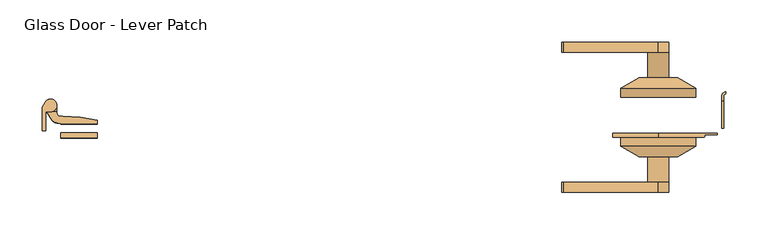
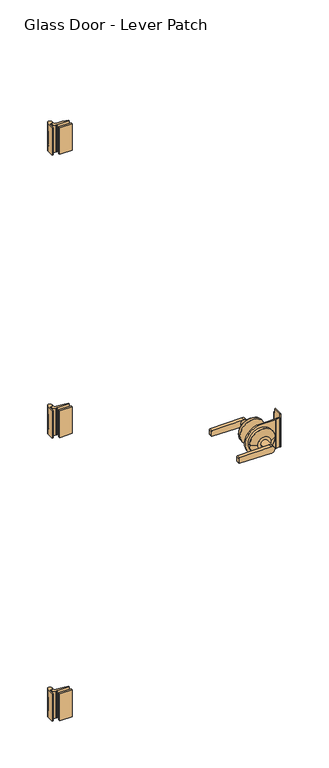
"""IFC4 building model written with IfcOpenShell, lengths in millimetres: door geometry, Glass Door - Lever Patch."""

from ifc_helpers import new_model, si_unit, point, frame, frame_2d, origin, place, context, project, spatial, polyline, circle_curve, trimmed, segment, composite_curve, outline, extrude, source, transform, mapped, element, save
from ifc_brep_helpers import plane_surface, cylinder_surface, revolved_surface, advanced_brep


def glass_door_lever_patch_a990262c(model_context):
    return source(origin(), model_context, "Body", "SolidModel", [
        advanced_brep(
        [(-395.4998365, 1.4977905, 318.61), (-391.4998368, 1.4977905, 318.61), (-391.4998368, 22.9977905, 318.61), (-390.4998367, 23.9977905, 318.61), (-385.4998364, 23.9977905, 318.61), (-392.0417893, 35.1656043, 318.61), (-395.4998365, 28.9977922, 318.61), (-395.4998365, 1.4977905, 218.61), (-395.4998365, 28.9977922, 218.61), (-392.0417893, 35.1656043, 218.61), (-385.4998364, 23.9977911, 218.61), (-390.4998367, 23.9977905, 218.61), (-391.4998367, 22.9977905, 218.61), (-391.4998368, 1.4977905, 218.61), (-395.4998365, 28.9977922, 295.5868434), (-395.4998365, 22.4095534, 295.5868434), (-395.4998365, 22.4095534, 241.61), (-395.4998365, 28.9977922, 241.61), (-392.0417893, 35.1656043, 241.61), (-392.0417893, 35.1656043, 295.5868434), (-385.4998364, 23.9977911, 241.61), (-385.4998364, 23.9977911, 295.5868434), (-390.4998367, 23.9977905, 241.61), (-390.4998367, 23.9977905, 295.5868434), (-391.4998367, 22.9977905, 241.61), (-391.4998367, 22.9977905, 295.5868434), (-391.4998368, 22.4095534, 241.61), (-391.4998368, 22.4095534, 295.5868434)],
        [
            (0, 1),
            (1, 2),
            (2, 3, circle_curve(frame((-390.4998367, 22.9977905, 318.61), z_axis=(0.0, 0.0, -1.0), x_axis=(1.0, 0.0, 0.0)), 1.0)),
            (3, 4),
            (4, 5, circle_curve(frame((-385.4998364, 31.4977911, 318.61), z_axis=(0.0, 0.0, 1.0), x_axis=(1.0, 0.0, 0.0)), 7.5)),
            (5, 6),
            (6, 0),
            (7, 8),
            (8, 9),
            (9, 10, circle_curve(frame((-385.4998364, 31.4977911, 218.61), z_axis=(0.0, 0.0, -1.0), x_axis=(1.0, 0.0, 0.0)), 7.5)),
            (10, 11),
            (11, 12, circle_curve(frame((-390.4998367, 22.9977905, 218.61), z_axis=(0.0, 0.0, 1.0), x_axis=(1.0, 0.0, 0.0)), 1.0)),
            (12, 13),
            (13, 7),
            (6, 14),
            (14, 15),
            (15, 16),
            (16, 17),
            (17, 8),
            (7, 0),
            (17, 18),
            (18, 9),
            (5, 19),
            (19, 14),
            (18, 20, circle_curve(frame((-385.4998364, 31.4977911, 241.61), z_axis=(0.0, 0.0, -1.0), x_axis=(1.0, 0.0, 0.0)), 7.5)),
            (20, 10),
            (4, 21),
            (21, 19, circle_curve(frame((-385.4998364, 31.4977911, 295.5868434), z_axis=(0.0, 0.0, 1.0), x_axis=(1.0, 0.0, 0.0)), 7.5)),
            (20, 22),
            (22, 11),
            (3, 23),
            (23, 21),
            (22, 24, circle_curve(frame((-390.4998367, 22.9977905, 241.61), z_axis=(0.0, 0.0, 1.0), x_axis=(1.0, 0.0, 0.0)), 1.0)),
            (24, 12),
            (2, 25),
            (25, 23, circle_curve(frame((-390.4998367, 22.9977905, 295.5868434), z_axis=(0.0, 0.0, -1.0), x_axis=(1.0, 0.0, 0.0)), 1.0)),
            (1, 13),
            (24, 26),
            (26, 27),
            (27, 25),
            (27, 15),
            (16, 26),
        ],
        [
            plane_surface(frame((-395.4998365, 1.4977905, 318.61), z_axis=(0.0, 0.0, 1.0), x_axis=(0.0, 1.0, 0.0))),
            plane_surface(frame((-395.4998365, 1.4977905, 218.61), z_axis=(0.0, 0.0, -1.0), x_axis=(0.0, -1.0, 0.0))),
            plane_surface(frame((-395.4998365, 1.4977905, 318.61), z_axis=(-1.0, 0.0, 0.0), x_axis=(0.0, 0.0, -1.0))),
            plane_surface(frame((-395.4998365, 28.9977922, 318.61), z_axis=(-0.8722603762585988, 0.489041752828128, 0.0), x_axis=(0.0, 0.0, -1.0))),
            cylinder_surface(frame((-385.4998364, 31.4977911, 218.61), z_axis=(0.0, 0.0, 1.0), x_axis=(1.0, 0.0, 0.0)), 7.5),
            plane_surface(frame((-385.4998364, 23.9977905, 318.61), z_axis=(0.0, -1.0, 0.0), x_axis=(0.0, 0.0, -1.0))),
            revolved_surface(polyline([(-389.4998367, 22.9977905, 218.61), (-389.4998367, 22.9977905, 241.61)]), (-390.4998367, 22.9977905, 218.61), (0.0, 0.0, -1.0)),
            revolved_surface(polyline([(-389.4998367, 22.9977905, 295.5868434), (-389.4998367, 22.9977905, 318.61)]), (-390.4998367, 22.9977905, 218.61), (0.0, 0.0, -1.0)),
            plane_surface(frame((-391.4998368, 22.9977905, 318.61), z_axis=(1.0, 0.0, 0.0), x_axis=(0.0, 0.0, -1.0))),
            plane_surface(frame((-391.4998368, 1.4977905, 318.61), z_axis=(0.0, -1.0, 0.0), x_axis=(0.0, 0.0, -1.0))),
            plane_surface(frame((-404.3666761, 22.4095534, 295.5868434), z_axis=(0.0, 0.0, -1.0), x_axis=(-1.0, 0.0, 0.0))),
            plane_surface(frame((-404.3666761, 22.4095534, 241.61), z_axis=(0.0, 0.0, 1.0), x_axis=(1.0, 0.0, 0.0))),
            plane_surface(frame((-370.4525994, 22.4095534, 295.5868434), z_axis=(0.0, 1.0, 0.0), x_axis=(0.0, 0.0, -1.0))),
        ],
        [
            (0, [[1, 2, 3, 4, 5, 6, 7]]),
            (1, [[8, 9, 10, 11, 12, 13, 14]]),
            (2, [[15, 16, 17, 18, 19, -8, 20, -7]]),
            (3, [[-19, 21, 22, -9]]),
            (3, [[23, 24, -15, -6]]),
            (4, [[-22, 25, 26, -10]]),
            (4, [[27, 28, -23, -5]]),
            (5, [[-26, 29, 30, -11]]),
            (5, [[31, 32, -27, -4]]),
            (6, [[-30, 33, 34, -12]]),
            (7, [[35, 36, -31, -3]]),
            (8, [[37, -13, -34, 38, 39, 40, -35, -2]]),
            (9, [[-20, -14, -37, -1]]),
            (10, [[-16, -24, -28, -32, -36, -40, 41]]),
            (11, [[-38, -33, -29, -25, -21, -18, 42]]),
            (12, [[-39, -42, -17, -41]]),
        ],
    ),
        advanced_brep(
        [(-330.5001742, 9.49779, 318.61), (-330.5001742, 13.6210905, 318.61), (-370.9267308, 18.4978219, 318.61), (-373.9967063, 18.4978231, 318.61), (-377.9998367, 22.4978219, 318.61), (-377.9998364, 23.9977896, 318.61), (-389.8299623, 23.9977896, 318.61), (-384.9224862, 15.4977919, 318.61), (-376.2622322, 10.497792, 318.61), (-374.3442609, 10.497792, 318.61), (-373.5001742, 9.49779, 318.61), (-330.5001742, 9.49779, 218.61), (-373.5001742, 9.49779, 218.61), (-374.3442609, 10.497792, 218.61), (-376.2622322, 10.497792, 218.61), (-384.9224862, 15.4977919, 218.61), (-389.8299623, 23.9977896, 218.61), (-377.9998364, 23.9977896, 218.61), (-377.9998364, 22.4978219, 218.61), (-373.9967063, 18.4978231, 218.61), (-370.9267302, 18.4978231, 218.61), (-330.5001742, 13.6210905, 218.61), (-389.8299623, 23.9977896, 295.5868434), (-391.9950267, 27.7477911, 295.5868434), (-391.9950267, 27.7477911, 241.61), (-389.8299623, 23.9977896, 241.61), (-377.9998364, 31.4977911, 295.5868434), (-377.9998364, 31.4977911, 241.61), (-377.9998364, 23.9977896, 241.61), (-377.9998364, 23.9977896, 295.5868434)],
        [
            (0, 1),
            (1, 2, circle_curve(frame((-370.9267308, -151.5022095, 318.61), z_axis=(0.0, 0.0, 1.0), x_axis=(1.0, 0.0, 0.0)), 170.0000314)),
            (2, 3),
            (3, 4, circle_curve(frame((-373.9998367, 22.4978219, 318.61), z_axis=(0.0, 0.0, -1.0), x_axis=(1.0, 0.0, 0.0)), 4.0)),
            (4, 5),
            (5, 6),
            (6, 7),
            (7, 8, circle_curve(frame((-376.2622322, 20.497792, 318.61), z_axis=(0.0, 0.0, 1.0), x_axis=(1.0, 0.0, 0.0)), 10.0)),
            (8, 9),
            (9, 10, circle_curve(frame((-374.3442609, 9.6415505, 318.61), z_axis=(0.0, 0.0, -1.0), x_axis=(1.0, 0.0, 0.0)), 0.8562415)),
            (10, 0),
            (11, 12),
            (12, 13, circle_curve(frame((-374.3442609, 9.6415505, 218.61), z_axis=(0.0, 0.0, 1.0), x_axis=(1.0, 0.0, 0.0)), 0.8562415)),
            (13, 14),
            (14, 15, circle_curve(frame((-376.2622322, 20.497792, 218.61), z_axis=(0.0, 0.0, -1.0), x_axis=(1.0, 0.0, 0.0)), 10.0)),
            (15, 16),
            (16, 17),
            (17, 18),
            (18, 19, circle_curve(frame((-373.9998367, 22.4978219, 218.61), z_axis=(0.0, 0.0, 1.0), x_axis=(1.0, 0.0, 0.0)), 4.0)),
            (19, 20),
            (20, 21, circle_curve(frame((-370.9267308, -151.5022095, 218.61), z_axis=(0.0, 0.0, -1.0), x_axis=(1.0, 0.0, 0.0)), 170.0000314)),
            (21, 11),
            (10, 12),
            (11, 0),
            (21, 1),
            (9, 13),
            (8, 14),
            (7, 15),
            (6, 22),
            (22, 23),
            (23, 24),
            (24, 25),
            (25, 16),
            (23, 26, circle_curve(frame((-385.4998364, 31.4977911, 295.5868434), z_axis=(0.0, 0.0, -1.0), x_axis=(1.0, 0.0, 0.0)), 7.5)),
            (26, 27),
            (27, 24, circle_curve(frame((-385.4998364, 31.4977911, 241.61), z_axis=(0.0, 0.0, 1.0), x_axis=(1.0, 0.0, 0.0)), 7.5)),
            (17, 28),
            (28, 27),
            (26, 29),
            (29, 5),
            (4, 18),
            (3, 19),
            (2, 20),
            (28, 25),
            (22, 29),
        ],
        [
            plane_surface(frame((-495.5001742, 9.49779, 318.61), z_axis=(0.0, 0.0, 1.0), x_axis=(-1.0, 0.0, 0.0))),
            plane_surface(frame((-495.5001742, 9.49779, 218.61), z_axis=(0.0, 0.0, -1.0), x_axis=(1.0, 0.0, 0.0))),
            plane_surface(frame((-330.5001742, 9.49779, 318.61), z_axis=(0.0, -1.0, 0.0), x_axis=(0.0, 0.0, -1.0))),
            plane_surface(frame((-330.5001742, 13.6210905, 318.61), z_axis=(1.0, 0.0, 0.0), x_axis=(0.0, 0.0, -1.0))),
            revolved_surface(polyline([(-373.4880194, 9.6415505, 218.61), (-373.4880194, 9.6415505, 318.61)]), (-374.3442609, 9.6415505, 218.61), (0.0, 0.0, -1.0)),
            plane_surface(frame((-374.3442609, 10.497792, 318.61), z_axis=(0.0, -1.0, 0.0), x_axis=(0.0, 0.0, -1.0))),
            cylinder_surface(frame((-376.2622322, 20.497792, 218.61), z_axis=(0.0, 0.0, 1.0), x_axis=(1.0, 0.0, 0.0)), 10.0),
            plane_surface(frame((-384.9224862, 15.4977919, 318.61), z_axis=(-0.8660253977565265, -0.5000000104406499, 0.0), x_axis=(0.0, 0.0, -1.0))),
            cylinder_surface(frame((-385.4998364, 31.4977911, 218.61), z_axis=(0.0, 0.0, 1.0), x_axis=(1.0, 0.0, 0.0)), 7.5),
            plane_surface(frame((-377.9998364, 31.4977911, 318.61), z_axis=(1.0, 0.0, 0.0), x_axis=(0.0, 0.0, -1.0))),
            revolved_surface(polyline([(-369.9998367, 22.4978219, 218.61), (-369.9998367, 22.4978219, 318.61)]), (-373.9998367, 22.4978219, 218.61), (0.0, 0.0, -1.0)),
            plane_surface(frame((-373.9967063, 18.4978231, 318.61), z_axis=(0.0, 1.0, 0.0), x_axis=(0.0, 0.0, -1.0))),
            cylinder_surface(frame((-370.9267308, -151.5022095, 218.61), z_axis=(0.0, 0.0, 1.0), x_axis=(1.0, 0.0, 0.0)), 170.0000314),
            plane_surface(frame((-396.429952, 23.9977896, 241.61), z_axis=(0.0, 0.0, -1.0), x_axis=(-1.0, 0.0, 0.0))),
            plane_surface(frame((-372.4998693, 23.9977896, 241.61), z_axis=(0.0, 1.0, 0.0), x_axis=(0.0, 0.0, -1.0))),
            plane_surface(frame((-404.3666761, 23.9977896, 295.5868434), z_axis=(0.0, 0.0, 1.0), x_axis=(1.0, 0.0, 0.0))),
            plane_surface(frame((-370.4525994, 23.9977896, 318.61), z_axis=(0.0, 1.0, 0.0), x_axis=(0.0, 0.0, -1.0))),
        ],
        [
            (0, [[1, 2, 3, 4, 5, 6, 7, 8, 9, 10, 11]]),
            (1, [[12, 13, 14, 15, 16, 17, 18, 19, 20, 21, 22]]),
            (2, [[23, -12, 24, -11]]),
            (3, [[-24, -22, 25, -1]]),
            (4, [[26, -13, -23, -10]]),
            (5, [[27, -14, -26, -9]]),
            (6, [[28, -15, -27, -8]]),
            (7, [[-7, 29, 30, 31, 32, 33, -16, -28]]),
            (8, [[-31, 34, 35, 36]]),
            (9, [[-18, 37, 38, -35, 39, 40, -5, 41]]),
            (10, [[42, -19, -41, -4]]),
            (11, [[43, -20, -42, -3]]),
            (12, [[-25, -21, -43, -2]]),
            (13, [[-32, -36, -38, 44]]),
            (14, [[-37, -17, -33, -44]]),
            (15, [[-39, -34, -30, 45]]),
            (16, [[-29, -6, -40, -45]]),
        ],
    ),
        extrude(outline(polyline([(-330.5001742, -7.1022098), (-373.5001742, -7.1022098), (-373.5001742, -1.1022098), (-330.5001742, -1.1022098), (-330.5001742, -7.1022098)])), frame((0.0, 0.0, 218.61), z_axis=(0.0, 0.0, 1.0), x_axis=(1.0, 0.0, 0.0)), (0.0, 0.0, 1.0), 100.0),
        advanced_brep(
        [(-395.4998365, 1.4977905, 1371.35), (-391.4998368, 1.4977905, 1371.35), (-391.4998368, 22.9977905, 1371.35), (-390.4998367, 23.9977905, 1371.35), (-385.4998364, 23.9977905, 1371.35), (-392.0417893, 35.1656043, 1371.35), (-395.4998365, 28.9977922, 1371.35), (-395.4998365, 1.4977905, 1271.35), (-395.4998365, 28.9977922, 1271.35), (-392.0417893, 35.1656043, 1271.35), (-385.4998364, 23.9977911, 1271.35), (-390.4998367, 23.9977905, 1271.35), (-391.4998367, 22.9977905, 1271.35), (-391.4998368, 1.4977905, 1271.35), (-395.4998365, 28.9977922, 1348.3268434), (-395.4998365, 22.4095534, 1348.3268434), (-395.4998365, 22.4095534, 1294.35), (-395.4998365, 28.9977922, 1294.35), (-392.0417893, 35.1656043, 1294.35), (-392.0417893, 35.1656043, 1348.3268434), (-385.4998364, 23.9977911, 1294.35), (-385.4998364, 23.9977911, 1348.3268434), (-390.4998367, 23.9977905, 1294.35), (-390.4998367, 23.9977905, 1348.3268434), (-391.4998367, 22.9977905, 1294.35), (-391.4998367, 22.9977905, 1348.3268434), (-391.4998368, 22.4095534, 1294.35), (-391.4998368, 22.4095534, 1348.3268434)],
        [
            (0, 1),
            (1, 2),
            (2, 3, circle_curve(frame((-390.4998367, 22.9977905, 1371.35), z_axis=(0.0, 0.0, -1.0), x_axis=(1.0, 0.0, 0.0)), 1.0)),
            (3, 4),
            (4, 5, circle_curve(frame((-385.4998364, 31.4977911, 1371.35), z_axis=(0.0, 0.0, 1.0), x_axis=(1.0, 0.0, 0.0)), 7.5)),
            (5, 6),
            (6, 0),
            (7, 8),
            (8, 9),
            (9, 10, circle_curve(frame((-385.4998364, 31.4977911, 1271.35), z_axis=(0.0, 0.0, -1.0), x_axis=(1.0, 0.0, 0.0)), 7.5)),
            (10, 11),
            (11, 12, circle_curve(frame((-390.4998367, 22.9977905, 1271.35), z_axis=(0.0, 0.0, 1.0), x_axis=(1.0, 0.0, 0.0)), 1.0)),
            (12, 13),
            (13, 7),
            (6, 14),
            (14, 15),
            (15, 16),
            (16, 17),
            (17, 8),
            (7, 0),
            (17, 18),
            (18, 9),
            (5, 19),
            (19, 14),
            (18, 20, circle_curve(frame((-385.4998364, 31.4977911, 1294.35), z_axis=(0.0, 0.0, -1.0), x_axis=(1.0, 0.0, 0.0)), 7.5)),
            (20, 10),
            (4, 21),
            (21, 19, circle_curve(frame((-385.4998364, 31.4977911, 1348.3268434), z_axis=(0.0, 0.0, 1.0), x_axis=(1.0, 0.0, 0.0)), 7.5)),
            (20, 22),
            (22, 11),
            (3, 23),
            (23, 21),
            (22, 24, circle_curve(frame((-390.4998367, 22.9977905, 1294.35), z_axis=(0.0, 0.0, 1.0), x_axis=(1.0, 0.0, 0.0)), 1.0)),
            (24, 12),
            (2, 25),
            (25, 23, circle_curve(frame((-390.4998367, 22.9977905, 1348.3268434), z_axis=(0.0, 0.0, -1.0), x_axis=(1.0, 0.0, 0.0)), 1.0)),
            (1, 13),
            (24, 26),
            (26, 27),
            (27, 25),
            (27, 15),
            (16, 26),
        ],
        [
            plane_surface(frame((-395.4998365, 1.4977905, 1371.35), z_axis=(0.0, 0.0, 1.0), x_axis=(0.0, 1.0, 0.0))),
            plane_surface(frame((-395.4998365, 1.4977905, 1271.35), z_axis=(0.0, 0.0, -1.0), x_axis=(0.0, -1.0, 0.0))),
            plane_surface(frame((-395.4998365, 1.4977905, 1371.35), z_axis=(-1.0, 0.0, 0.0), x_axis=(0.0, 0.0, -1.0))),
            plane_surface(frame((-395.4998365, 28.9977922, 1371.35), z_axis=(-0.8722603762585988, 0.489041752828128, 0.0), x_axis=(0.0, 0.0, -1.0))),
            cylinder_surface(frame((-385.4998364, 31.4977911, 1271.35), z_axis=(0.0, 0.0, 1.0), x_axis=(1.0, 0.0, 0.0)), 7.5),
            plane_surface(frame((-385.4998364, 23.9977905, 1371.35), z_axis=(0.0, -1.0, 0.0), x_axis=(0.0, 0.0, -1.0))),
            revolved_surface(polyline([(-389.4998367, 22.9977905, 1271.35), (-389.4998367, 22.9977905, 1294.35)]), (-390.4998367, 22.9977905, 1271.35), (0.0, 0.0, -1.0)),
            revolved_surface(polyline([(-389.4998367, 22.9977905, 1348.3268434), (-389.4998367, 22.9977905, 1371.35)]), (-390.4998367, 22.9977905, 1271.35), (0.0, 0.0, -1.0)),
            plane_surface(frame((-391.4998368, 22.9977905, 1371.35), z_axis=(1.0, 0.0, 0.0), x_axis=(0.0, 0.0, -1.0))),
            plane_surface(frame((-391.4998368, 1.4977905, 1371.35), z_axis=(0.0, -1.0, 0.0), x_axis=(0.0, 0.0, -1.0))),
            plane_surface(frame((-404.3666761, 22.4095534, 1348.3268434), z_axis=(0.0, 0.0, -1.0), x_axis=(-1.0, 0.0, 0.0))),
            plane_surface(frame((-404.3666761, 22.4095534, 1294.35), z_axis=(0.0, 0.0, 1.0), x_axis=(1.0, 0.0, 0.0))),
            plane_surface(frame((-370.4525994, 22.4095534, 1348.3268434), z_axis=(0.0, 1.0, 0.0), x_axis=(0.0, 0.0, -1.0))),
        ],
        [
            (0, [[1, 2, 3, 4, 5, 6, 7]]),
            (1, [[8, 9, 10, 11, 12, 13, 14]]),
            (2, [[15, 16, 17, 18, 19, -8, 20, -7]]),
            (3, [[-19, 21, 22, -9]]),
            (3, [[23, 24, -15, -6]]),
            (4, [[-22, 25, 26, -10]]),
            (4, [[27, 28, -23, -5]]),
            (5, [[-26, 29, 30, -11]]),
            (5, [[31, 32, -27, -4]]),
            (6, [[-30, 33, 34, -12]]),
            (7, [[35, 36, -31, -3]]),
            (8, [[37, -13, -34, 38, 39, 40, -35, -2]]),
            (9, [[-20, -14, -37, -1]]),
            (10, [[-16, -24, -28, -32, -36, -40, 41]]),
            (11, [[-38, -33, -29, -25, -21, -18, 42]]),
            (12, [[-39, -42, -17, -41]]),
        ],
    ),
        advanced_brep(
        [(-330.5001742, 9.49779, 1371.35), (-330.5001742, 13.6210905, 1371.35), (-370.9267308, 18.4978219, 1371.35), (-373.9967063, 18.4978231, 1371.35), (-377.9998367, 22.4978219, 1371.35), (-377.9998364, 23.9977896, 1371.35), (-389.8299623, 23.9977896, 1371.35), (-384.9224862, 15.4977919, 1371.35), (-376.2622322, 10.497792, 1371.35), (-374.3442609, 10.497792, 1371.35), (-373.5001742, 9.49779, 1371.35), (-330.5001742, 9.49779, 1271.35), (-373.5001742, 9.49779, 1271.35), (-374.3442609, 10.497792, 1271.35), (-376.2622322, 10.497792, 1271.35), (-384.9224862, 15.4977919, 1271.35), (-389.8299623, 23.9977896, 1271.35), (-377.9998364, 23.9977896, 1271.35), (-377.9998364, 22.4978219, 1271.35), (-373.9967063, 18.4978231, 1271.35), (-370.9267302, 18.4978231, 1271.35), (-330.5001742, 13.6210905, 1271.35), (-389.8299623, 23.9977896, 1348.3268434), (-391.9950267, 27.7477911, 1348.3268434), (-391.9950267, 27.7477911, 1294.35), (-389.8299623, 23.9977896, 1294.35), (-377.9998364, 31.4977911, 1348.3268434), (-377.9998364, 31.4977911, 1294.35), (-377.9998364, 23.9977896, 1294.35), (-377.9998364, 23.9977896, 1348.3268434)],
        [
            (0, 1),
            (1, 2, circle_curve(frame((-370.9267308, -151.5022095, 1371.35), z_axis=(0.0, 0.0, 1.0), x_axis=(1.0, 0.0, 0.0)), 170.0000314)),
            (2, 3),
            (3, 4, circle_curve(frame((-373.9998367, 22.4978219, 1371.35), z_axis=(0.0, 0.0, -1.0), x_axis=(1.0, 0.0, 0.0)), 4.0)),
            (4, 5),
            (5, 6),
            (6, 7),
            (7, 8, circle_curve(frame((-376.2622322, 20.497792, 1371.35), z_axis=(0.0, 0.0, 1.0), x_axis=(1.0, 0.0, 0.0)), 10.0)),
            (8, 9),
            (9, 10, circle_curve(frame((-374.3442609, 9.6415505, 1371.35), z_axis=(0.0, 0.0, -1.0), x_axis=(1.0, 0.0, 0.0)), 0.8562415)),
            (10, 0),
            (11, 12),
            (12, 13, circle_curve(frame((-374.3442609, 9.6415505, 1271.35), z_axis=(0.0, 0.0, 1.0), x_axis=(1.0, 0.0, 0.0)), 0.8562415)),
            (13, 14),
            (14, 15, circle_curve(frame((-376.2622322, 20.497792, 1271.35), z_axis=(0.0, 0.0, -1.0), x_axis=(1.0, 0.0, 0.0)), 10.0)),
            (15, 16),
            (16, 17),
            (17, 18),
            (18, 19, circle_curve(frame((-373.9998367, 22.4978219, 1271.35), z_axis=(0.0, 0.0, 1.0), x_axis=(1.0, 0.0, 0.0)), 4.0)),
            (19, 20),
            (20, 21, circle_curve(frame((-370.9267308, -151.5022095, 1271.35), z_axis=(0.0, 0.0, -1.0), x_axis=(1.0, 0.0, 0.0)), 170.0000314)),
            (21, 11),
            (10, 12),
            (11, 0),
            (21, 1),
            (9, 13),
            (8, 14),
            (7, 15),
            (6, 22),
            (22, 23),
            (23, 24),
            (24, 25),
            (25, 16),
            (23, 26, circle_curve(frame((-385.4998364, 31.4977911, 1348.3268434), z_axis=(0.0, 0.0, -1.0), x_axis=(1.0, 0.0, 0.0)), 7.5)),
            (26, 27),
            (27, 24, circle_curve(frame((-385.4998364, 31.4977911, 1294.35), z_axis=(0.0, 0.0, 1.0), x_axis=(1.0, 0.0, 0.0)), 7.5)),
            (17, 28),
            (28, 27),
            (26, 29),
            (29, 5),
            (4, 18),
            (3, 19),
            (2, 20),
            (28, 25),
            (22, 29),
        ],
        [
            plane_surface(frame((-495.5001742, 9.49779, 1371.35), z_axis=(0.0, 0.0, 1.0), x_axis=(-1.0, 0.0, 0.0))),
            plane_surface(frame((-495.5001742, 9.49779, 1271.35), z_axis=(0.0, 0.0, -1.0), x_axis=(1.0, 0.0, 0.0))),
            plane_surface(frame((-330.5001742, 9.49779, 1371.35), z_axis=(0.0, -1.0, 0.0), x_axis=(0.0, 0.0, -1.0))),
            plane_surface(frame((-330.5001742, 13.6210905, 1371.35), z_axis=(1.0, 0.0, 0.0), x_axis=(0.0, 0.0, -1.0))),
            revolved_surface(polyline([(-373.4880194, 9.6415505, 1271.35), (-373.4880194, 9.6415505, 1371.35)]), (-374.3442609, 9.6415505, 1271.35), (0.0, 0.0, -1.0)),
            plane_surface(frame((-374.3442609, 10.497792, 1371.35), z_axis=(0.0, -1.0, 0.0), x_axis=(0.0, 0.0, -1.0))),
            cylinder_surface(frame((-376.2622322, 20.497792, 1271.35), z_axis=(0.0, 0.0, 1.0), x_axis=(1.0, 0.0, 0.0)), 10.0),
            plane_surface(frame((-384.9224862, 15.4977919, 1371.35), z_axis=(-0.8660253977565265, -0.5000000104406499, 0.0), x_axis=(0.0, 0.0, -1.0))),
            cylinder_surface(frame((-385.4998364, 31.4977911, 1271.35), z_axis=(0.0, 0.0, 1.0), x_axis=(1.0, 0.0, 0.0)), 7.5),
            plane_surface(frame((-377.9998364, 31.4977911, 1371.35), z_axis=(1.0, 0.0, 0.0), x_axis=(0.0, 0.0, -1.0))),
            revolved_surface(polyline([(-369.9998367, 22.4978219, 1271.35), (-369.9998367, 22.4978219, 1371.35)]), (-373.9998367, 22.4978219, 1271.35), (0.0, 0.0, -1.0)),
            plane_surface(frame((-373.9967063, 18.4978231, 1371.35), z_axis=(0.0, 1.0, 0.0), x_axis=(0.0, 0.0, -1.0))),
            cylinder_surface(frame((-370.9267308, -151.5022095, 1271.35), z_axis=(0.0, 0.0, 1.0), x_axis=(1.0, 0.0, 0.0)), 170.0000314),
            plane_surface(frame((-396.429952, 23.9977896, 1294.35), z_axis=(0.0, 0.0, -1.0), x_axis=(-1.0, 0.0, 0.0))),
            plane_surface(frame((-372.4998693, 23.9977896, 1294.35), z_axis=(0.0, 1.0, 0.0), x_axis=(0.0, 0.0, -1.0))),
            plane_surface(frame((-404.3666761, 23.9977896, 1348.3268434), z_axis=(0.0, 0.0, 1.0), x_axis=(1.0, 0.0, 0.0))),
            plane_surface(frame((-370.4525994, 23.9977896, 1371.35), z_axis=(0.0, 1.0, 0.0), x_axis=(0.0, 0.0, -1.0))),
        ],
        [
            (0, [[1, 2, 3, 4, 5, 6, 7, 8, 9, 10, 11]]),
            (1, [[12, 13, 14, 15, 16, 17, 18, 19, 20, 21, 22]]),
            (2, [[23, -12, 24, -11]]),
            (3, [[-24, -22, 25, -1]]),
            (4, [[26, -13, -23, -10]]),
            (5, [[27, -14, -26, -9]]),
            (6, [[28, -15, -27, -8]]),
            (7, [[-7, 29, 30, 31, 32, 33, -16, -28]]),
            (8, [[-31, 34, 35, 36]]),
            (9, [[-18, 37, 38, -35, 39, 40, -5, 41]]),
            (10, [[42, -19, -41, -4]]),
            (11, [[43, -20, -42, -3]]),
            (12, [[-25, -21, -43, -2]]),
            (13, [[-32, -36, -38, 44]]),
            (14, [[-37, -17, -33, -44]]),
            (15, [[-39, -34, -30, 45]]),
            (16, [[-29, -6, -40, -45]]),
        ],
    ),
        extrude(outline(polyline([(-330.5001742, -7.1022098), (-373.5001742, -7.1022098), (-373.5001742, -1.1022098), (-330.5001742, -1.1022098), (-330.5001742, -7.1022098)])), frame((0.0, 0.0, 1271.35), z_axis=(0.0, 0.0, 1.0), x_axis=(1.0, 0.0, 0.0)), (0.0, 0.0, 1.0), 100.0),
        advanced_brep(
        [(-395.4998365, 1.4977905, 2424.09), (-391.4998368, 1.4977905, 2424.09), (-391.4998368, 22.9977905, 2424.09), (-390.4998367, 23.9977905, 2424.09), (-385.4998364, 23.9977905, 2424.09), (-392.0417893, 35.1656043, 2424.09), (-395.4998365, 28.9977922, 2424.09), (-395.4998365, 1.4977905, 2324.09), (-395.4998365, 28.9977922, 2324.09), (-392.0417893, 35.1656043, 2324.09), (-385.4998364, 23.9977911, 2324.09), (-390.4998367, 23.9977905, 2324.09), (-391.4998367, 22.9977905, 2324.09), (-391.4998368, 1.4977905, 2324.09), (-395.4998365, 28.9977922, 2401.0668434), (-395.4998365, 22.4095534, 2401.0668434), (-395.4998365, 22.4095534, 2347.09), (-395.4998365, 28.9977922, 2347.09), (-392.0417893, 35.1656043, 2347.09), (-392.0417893, 35.1656043, 2401.0668434), (-385.4998364, 23.9977911, 2347.09), (-385.4998364, 23.9977911, 2401.0668434), (-390.4998367, 23.9977905, 2347.09), (-390.4998367, 23.9977905, 2401.0668434), (-391.4998367, 22.9977905, 2347.09), (-391.4998367, 22.9977905, 2401.0668434), (-391.4998368, 22.4095534, 2347.09), (-391.4998368, 22.4095534, 2401.0668434)],
        [
            (0, 1),
            (1, 2),
            (2, 3, circle_curve(frame((-390.4998367, 22.9977905, 2424.09), z_axis=(0.0, 0.0, -1.0), x_axis=(1.0, 0.0, 0.0)), 1.0)),
            (3, 4),
            (4, 5, circle_curve(frame((-385.4998364, 31.4977911, 2424.09), z_axis=(0.0, 0.0, 1.0), x_axis=(1.0, 0.0, 0.0)), 7.5)),
            (5, 6),
            (6, 0),
            (7, 8),
            (8, 9),
            (9, 10, circle_curve(frame((-385.4998364, 31.4977911, 2324.09), z_axis=(0.0, 0.0, -1.0), x_axis=(1.0, 0.0, 0.0)), 7.5)),
            (10, 11),
            (11, 12, circle_curve(frame((-390.4998367, 22.9977905, 2324.09), z_axis=(0.0, 0.0, 1.0), x_axis=(1.0, 0.0, 0.0)), 1.0)),
            (12, 13),
            (13, 7),
            (6, 14),
            (14, 15),
            (15, 16),
            (16, 17),
            (17, 8),
            (7, 0),
            (17, 18),
            (18, 9),
            (5, 19),
            (19, 14),
            (18, 20, circle_curve(frame((-385.4998364, 31.4977911, 2347.09), z_axis=(0.0, 0.0, -1.0), x_axis=(1.0, 0.0, 0.0)), 7.5)),
            (20, 10),
            (4, 21),
            (21, 19, circle_curve(frame((-385.4998364, 31.4977911, 2401.0668434), z_axis=(0.0, 0.0, 1.0), x_axis=(1.0, 0.0, 0.0)), 7.5)),
            (20, 22),
            (22, 11),
            (3, 23),
            (23, 21),
            (22, 24, circle_curve(frame((-390.4998367, 22.9977905, 2347.09), z_axis=(0.0, 0.0, 1.0), x_axis=(1.0, 0.0, 0.0)), 1.0)),
            (24, 12),
            (2, 25),
            (25, 23, circle_curve(frame((-390.4998367, 22.9977905, 2401.0668434), z_axis=(0.0, 0.0, -1.0), x_axis=(1.0, 0.0, 0.0)), 1.0)),
            (1, 13),
            (24, 26),
            (26, 27),
            (27, 25),
            (27, 15),
            (16, 26),
        ],
        [
            plane_surface(frame((-395.4998365, 1.4977905, 2424.09), z_axis=(0.0, 0.0, 1.0), x_axis=(0.0, 1.0, 0.0))),
            plane_surface(frame((-395.4998365, 1.4977905, 2324.09), z_axis=(0.0, 0.0, -1.0), x_axis=(0.0, -1.0, 0.0))),
            plane_surface(frame((-395.4998365, 1.4977905, 2424.09), z_axis=(-1.0, 0.0, 0.0), x_axis=(0.0, 0.0, -1.0))),
            plane_surface(frame((-395.4998365, 28.9977922, 2424.09), z_axis=(-0.8722603762585988, 0.489041752828128, 0.0), x_axis=(0.0, 0.0, -1.0))),
            cylinder_surface(frame((-385.4998364, 31.4977911, 2324.09), z_axis=(0.0, 0.0, 1.0), x_axis=(1.0, 0.0, 0.0)), 7.5),
            plane_surface(frame((-385.4998364, 23.9977905, 2424.09), z_axis=(0.0, -1.0, 0.0), x_axis=(0.0, 0.0, -1.0))),
            revolved_surface(polyline([(-389.4998367, 22.9977905, 2324.09), (-389.4998367, 22.9977905, 2347.09)]), (-390.4998367, 22.9977905, 2324.09), (0.0, 0.0, -1.0)),
            revolved_surface(polyline([(-389.4998367, 22.9977905, 2401.0668434), (-389.4998367, 22.9977905, 2424.09)]), (-390.4998367, 22.9977905, 2324.09), (0.0, 0.0, -1.0)),
            plane_surface(frame((-391.4998368, 22.9977905, 2424.09), z_axis=(1.0, 0.0, 0.0), x_axis=(0.0, 0.0, -1.0))),
            plane_surface(frame((-391.4998368, 1.4977905, 2424.09), z_axis=(0.0, -1.0, 0.0), x_axis=(0.0, 0.0, -1.0))),
            plane_surface(frame((-404.3666761, 22.4095534, 2401.0668434), z_axis=(0.0, 0.0, -1.0), x_axis=(-1.0, 0.0, 0.0))),
            plane_surface(frame((-404.3666761, 22.4095534, 2347.09), z_axis=(0.0, 0.0, 1.0), x_axis=(1.0, 0.0, 0.0))),
            plane_surface(frame((-370.4525994, 22.4095534, 2401.0668434), z_axis=(0.0, 1.0, 0.0), x_axis=(0.0, 0.0, -1.0))),
        ],
        [
            (0, [[1, 2, 3, 4, 5, 6, 7]]),
            (1, [[8, 9, 10, 11, 12, 13, 14]]),
            (2, [[15, 16, 17, 18, 19, -8, 20, -7]]),
            (3, [[-19, 21, 22, -9]]),
            (3, [[23, 24, -15, -6]]),
            (4, [[-22, 25, 26, -10]]),
            (4, [[27, 28, -23, -5]]),
            (5, [[-26, 29, 30, -11]]),
            (5, [[31, 32, -27, -4]]),
            (6, [[-30, 33, 34, -12]]),
            (7, [[35, 36, -31, -3]]),
            (8, [[37, -13, -34, 38, 39, 40, -35, -2]]),
            (9, [[-20, -14, -37, -1]]),
            (10, [[-16, -24, -28, -32, -36, -40, 41]]),
            (11, [[-38, -33, -29, -25, -21, -18, 42]]),
            (12, [[-39, -42, -17, -41]]),
        ],
    ),
        advanced_brep(
        [(-330.5001742, 9.49779, 2424.09), (-330.5001742, 13.6210905, 2424.09), (-370.9267308, 18.4978219, 2424.09), (-373.9967063, 18.4978231, 2424.09), (-377.9998367, 22.4978219, 2424.09), (-377.9998364, 23.9977896, 2424.09), (-389.8299623, 23.9977896, 2424.09), (-384.9224862, 15.4977919, 2424.09), (-376.2622322, 10.497792, 2424.09), (-374.3442609, 10.497792, 2424.09), (-373.5001742, 9.49779, 2424.09), (-330.5001742, 9.49779, 2324.09), (-373.5001742, 9.49779, 2324.09), (-374.3442609, 10.497792, 2324.09), (-376.2622322, 10.497792, 2324.09), (-384.9224862, 15.4977919, 2324.09), (-389.8299623, 23.9977896, 2324.09), (-377.9998364, 23.9977896, 2324.09), (-377.9998364, 22.4978219, 2324.09), (-373.9967063, 18.4978231, 2324.09), (-370.9267302, 18.4978231, 2324.09), (-330.5001742, 13.6210905, 2324.09), (-389.8299623, 23.9977896, 2401.0668434), (-391.9950267, 27.7477911, 2401.0668434), (-391.9950267, 27.7477911, 2347.09), (-389.8299623, 23.9977896, 2347.09), (-377.9998364, 31.4977911, 2401.0668434), (-377.9998364, 31.4977911, 2347.09), (-377.9998364, 23.9977896, 2347.09), (-377.9998364, 23.9977896, 2401.0668434)],
        [
            (0, 1),
            (1, 2, circle_curve(frame((-370.9267308, -151.5022095, 2424.09), z_axis=(0.0, 0.0, 1.0), x_axis=(1.0, 0.0, 0.0)), 170.0000314)),
            (2, 3),
            (3, 4, circle_curve(frame((-373.9998367, 22.4978219, 2424.09), z_axis=(0.0, 0.0, -1.0), x_axis=(1.0, 0.0, 0.0)), 4.0)),
            (4, 5),
            (5, 6),
            (6, 7),
            (7, 8, circle_curve(frame((-376.2622322, 20.497792, 2424.09), z_axis=(0.0, 0.0, 1.0), x_axis=(1.0, 0.0, 0.0)), 10.0)),
            (8, 9),
            (9, 10, circle_curve(frame((-374.3442609, 9.6415505, 2424.09), z_axis=(0.0, 0.0, -1.0), x_axis=(1.0, 0.0, 0.0)), 0.8562415)),
            (10, 0),
            (11, 12),
            (12, 13, circle_curve(frame((-374.3442609, 9.6415505, 2324.09), z_axis=(0.0, 0.0, 1.0), x_axis=(1.0, 0.0, 0.0)), 0.8562415)),
            (13, 14),
            (14, 15, circle_curve(frame((-376.2622322, 20.497792, 2324.09), z_axis=(0.0, 0.0, -1.0), x_axis=(1.0, 0.0, 0.0)), 10.0)),
            (15, 16),
            (16, 17),
            (17, 18),
            (18, 19, circle_curve(frame((-373.9998367, 22.4978219, 2324.09), z_axis=(0.0, 0.0, 1.0), x_axis=(1.0, 0.0, 0.0)), 4.0)),
            (19, 20),
            (20, 21, circle_curve(frame((-370.9267308, -151.5022095, 2324.09), z_axis=(0.0, 0.0, -1.0), x_axis=(1.0, 0.0, 0.0)), 170.0000314)),
            (21, 11),
            (10, 12),
            (11, 0),
            (21, 1),
            (9, 13),
            (8, 14),
            (7, 15),
            (6, 22),
            (22, 23),
            (23, 24),
            (24, 25),
            (25, 16),
            (23, 26, circle_curve(frame((-385.4998364, 31.4977911, 2401.0668434), z_axis=(0.0, 0.0, -1.0), x_axis=(1.0, 0.0, 0.0)), 7.5)),
            (26, 27),
            (27, 24, circle_curve(frame((-385.4998364, 31.4977911, 2347.09), z_axis=(0.0, 0.0, 1.0), x_axis=(1.0, 0.0, 0.0)), 7.5)),
            (17, 28),
            (28, 27),
            (26, 29),
            (29, 5),
            (4, 18),
            (3, 19),
            (2, 20),
            (28, 25),
            (22, 29),
        ],
        [
            plane_surface(frame((-495.5001742, 9.49779, 2424.09), z_axis=(0.0, 0.0, 1.0), x_axis=(-1.0, 0.0, 0.0))),
            plane_surface(frame((-495.5001742, 9.49779, 2324.09), z_axis=(0.0, 0.0, -1.0), x_axis=(1.0, 0.0, 0.0))),
            plane_surface(frame((-330.5001742, 9.49779, 2424.09), z_axis=(0.0, -1.0, 0.0), x_axis=(0.0, 0.0, -1.0))),
            plane_surface(frame((-330.5001742, 13.6210905, 2424.09), z_axis=(1.0, 0.0, 0.0), x_axis=(0.0, 0.0, -1.0))),
            revolved_surface(polyline([(-373.4880194, 9.6415505, 2324.09), (-373.4880194, 9.6415505, 2424.09)]), (-374.3442609, 9.6415505, 2324.09), (0.0, 0.0, -1.0)),
            plane_surface(frame((-374.3442609, 10.497792, 2424.09), z_axis=(0.0, -1.0, 0.0), x_axis=(0.0, 0.0, -1.0))),
            cylinder_surface(frame((-376.2622322, 20.497792, 2324.09), z_axis=(0.0, 0.0, 1.0), x_axis=(1.0, 0.0, 0.0)), 10.0),
            plane_surface(frame((-384.9224862, 15.4977919, 2424.09), z_axis=(-0.8660253977565265, -0.5000000104406499, 0.0), x_axis=(0.0, 0.0, -1.0))),
            cylinder_surface(frame((-385.4998364, 31.4977911, 2324.09), z_axis=(0.0, 0.0, 1.0), x_axis=(1.0, 0.0, 0.0)), 7.5),
            plane_surface(frame((-377.9998364, 31.4977911, 2424.09), z_axis=(1.0, 0.0, 0.0), x_axis=(0.0, 0.0, -1.0))),
            revolved_surface(polyline([(-369.9998367, 22.4978219, 2324.09), (-369.9998367, 22.4978219, 2424.09)]), (-373.9998367, 22.4978219, 2324.09), (0.0, 0.0, -1.0)),
            plane_surface(frame((-373.9967063, 18.4978231, 2424.09), z_axis=(0.0, 1.0, 0.0), x_axis=(0.0, 0.0, -1.0))),
            cylinder_surface(frame((-370.9267308, -151.5022095, 2324.09), z_axis=(0.0, 0.0, 1.0), x_axis=(1.0, 0.0, 0.0)), 170.0000314),
            plane_surface(frame((-396.429952, 23.9977896, 2347.09), z_axis=(0.0, 0.0, -1.0), x_axis=(-1.0, 0.0, 0.0))),
            plane_surface(frame((-372.4998693, 23.9977896, 2347.09), z_axis=(0.0, 1.0, 0.0), x_axis=(0.0, 0.0, -1.0))),
            plane_surface(frame((-404.3666761, 23.9977896, 2401.0668434), z_axis=(0.0, 0.0, 1.0), x_axis=(1.0, 0.0, 0.0))),
            plane_surface(frame((-370.4525994, 23.9977896, 2424.09), z_axis=(0.0, 1.0, 0.0), x_axis=(0.0, 0.0, -1.0))),
        ],
        [
            (0, [[1, 2, 3, 4, 5, 6, 7, 8, 9, 10, 11]]),
            (1, [[12, 13, 14, 15, 16, 17, 18, 19, 20, 21, 22]]),
            (2, [[23, -12, 24, -11]]),
            (3, [[-24, -22, 25, -1]]),
            (4, [[26, -13, -23, -10]]),
            (5, [[27, -14, -26, -9]]),
            (6, [[28, -15, -27, -8]]),
            (7, [[-7, 29, 30, 31, 32, 33, -16, -28]]),
            (8, [[-31, 34, 35, 36]]),
            (9, [[-18, 37, 38, -35, 39, 40, -5, 41]]),
            (10, [[42, -19, -41, -4]]),
            (11, [[43, -20, -42, -3]]),
            (12, [[-25, -21, -43, -2]]),
            (13, [[-32, -36, -38, 44]]),
            (14, [[-37, -17, -33, -44]]),
            (15, [[-39, -34, -30, 45]]),
            (16, [[-29, -6, -40, -45]]),
        ],
    ),
        extrude(outline(polyline([(-330.5001742, -7.1022098), (-373.5001742, -7.1022098), (-373.5001742, -1.1022098), (-330.5001742, -1.1022098), (-330.5001742, -7.1022098)])), frame((0.0, 0.0, 2324.09), z_axis=(0.0, 0.0, 1.0), x_axis=(1.0, 0.0, 0.0)), (0.0, 0.0, 1.0), 100.0),
        advanced_brep(
        [(409.9062416, 4.871118, 1077.9125), (412.2887616, 4.871118, 1077.9125), (412.2887616, 36.621118, 1077.9125), (409.9062416, 36.621118, 1077.9125), (412.2887616, 4.871118, 954.0875), (409.9062416, 4.871118, 954.0875), (409.9062416, 36.621118, 954.0875), (412.2887616, 36.621118, 954.0875), (409.9062416, 36.621118, 1058.8625), (409.9062416, 42.971118, 1058.8625), (409.9062416, 42.971118, 973.1375), (409.9062416, 36.621118, 973.1375), (414.6687416, 47.733618, 1058.8625), (414.6687416, 47.733618, 973.1375), (414.6687416, 45.333618, 1058.8625), (414.6687416, 45.333618, 973.1375), (412.3062416, 42.971118, 1058.8625), (412.3062416, 42.971118, 973.1375), (412.2887616, 36.621118, 973.1375), (412.2887616, 36.621118, 1058.8625)],
        [
            (0, 1),
            (1, 2),
            (2, 3),
            (3, 0),
            (4, 5),
            (5, 6),
            (6, 7),
            (7, 4),
            (0, 5),
            (4, 1),
            (3, 8),
            (8, 9),
            (9, 10),
            (10, 11),
            (11, 6),
            (9, 12, circle_curve(frame((414.6687416, 42.971118, 1058.8625), z_axis=(0.0, 0.0, -1.0), x_axis=(1.0, 0.0, 0.0)), 4.7625)),
            (12, 13),
            (13, 10, circle_curve(frame((414.6687416, 42.971118, 973.1375), z_axis=(0.0, 0.0, 1.0), x_axis=(1.0, 0.0, 0.0)), 4.7625)),
            (12, 14),
            (14, 15),
            (15, 13),
            (14, 16, circle_curve(frame((414.6687416, 42.971118, 1058.8625), z_axis=(0.0, 0.0, 1.0), x_axis=(1.0, 0.0, 0.0)), 2.3625)),
            (16, 17),
            (17, 15, circle_curve(frame((414.6687416, 42.971118, 973.1375), z_axis=(0.0, 0.0, -1.0), x_axis=(1.0, 0.0, 0.0)), 2.3625)),
            (7, 18),
            (18, 17),
            (16, 19),
            (19, 2),
            (8, 19),
            (11, 18),
        ],
        [
            plane_surface(frame((412.2887616, -2.028882, 1077.9125), z_axis=(0.0, 0.0, 1.0), x_axis=(0.0, 1.0, 0.0))),
            plane_surface(frame((412.2887616, -2.028882, 954.0875), z_axis=(0.0, 0.0, -1.0), x_axis=(0.0, -1.0, 0.0))),
            plane_surface(frame((409.9062416, 4.871118, 1077.9125), z_axis=(0.0, -1.0, 0.0), x_axis=(0.0, 0.0, -1.0))),
            plane_surface(frame((409.9062416, 42.971118, 1077.9125), z_axis=(-1.0, 0.0, 0.0), x_axis=(0.0, 0.0, -1.0))),
            cylinder_surface(frame((414.6687416, 42.971118, 954.0875), z_axis=(0.0, 0.0, 1.0), x_axis=(1.0, 0.0, 0.0)), 4.7625),
            plane_surface(frame((414.6687416, 45.333618, 1077.9125), z_axis=(1.0, 0.0, 0.0), x_axis=(0.0, 0.0, -1.0))),
            revolved_surface(polyline([(417.0312416, 42.971118, 973.1375), (417.0312416, 42.971118, 1058.8625)]), (414.6687416, 42.971118, 954.0875), (0.0, 0.0, -1.0)),
            plane_surface(frame((412.2887616, 4.871118, 1077.9125), z_axis=(1.0, 0.0, 0.0), x_axis=(0.0, 0.0, -1.0))),
            plane_surface(frame((416.2624916, 36.621118, 1058.8625), z_axis=(0.0, 0.0, 1.0), x_axis=(-1.0, 0.0, 0.0))),
            plane_surface(frame((416.2624916, 36.621118, 1077.9125), z_axis=(0.0, 1.0, 0.0), x_axis=(-1.0, 0.0, 0.0))),
            plane_surface(frame((416.2624916, 36.621118, 973.1375), z_axis=(0.0, 1.0, 0.0), x_axis=(-1.0, 0.0, 0.0))),
            plane_surface(frame((416.2624916, 47.733618, 973.1375), z_axis=(0.0, 0.0, -1.0), x_axis=(-1.0, 0.0, 0.0))),
        ],
        [
            (0, [[1, 2, 3, 4]]),
            (1, [[5, 6, 7, 8]]),
            (2, [[-1, 9, -5, 10]]),
            (3, [[-9, -4, 11, 12, 13, 14, 15, -6]]),
            (4, [[-13, 16, 17, 18]]),
            (5, [[-17, 19, 20, 21]]),
            (6, [[-20, 22, 23, 24]]),
            (7, [[-10, -8, 25, 26, -23, 27, 28, -2]]),
            (8, [[29, -27, -22, -19, -16, -12]]),
            (9, [[-29, -11, -3, -28]]),
            (10, [[30, -25, -7, -15]]),
            (11, [[-30, -14, -18, -21, -24, -26]]),
        ],
    ),
        advanced_brep(
        [(334.6499916, -1.2499996, 1069.975), (404.4999916, -1.2499996, 1069.975), (404.4999916, -1.2499996, 962.025), (334.6499916, -1.2499996, 962.025), (334.6499916, -6.2499996, 1069.975), (334.6499916, -6.2499996, 962.025), (388.4999916, -6.2499996, 962.025), (388.4999916, -6.2499996, 1069.975), (404.4999916, -2.2499996, 962.025), (403.4999916, -3.2499996, 962.025), (390.4999916, -3.2499996, 962.025), (389.4999916, -4.2499996, 962.025), (389.4999916, -5.2499996, 962.025), (404.4999916, -2.2499996, 1069.975), (389.4999916, -5.2499996, 1069.975), (389.4999916, -4.2499996, 1069.975), (390.4999916, -3.2499996, 1069.975), (403.4999916, -3.2499996, 1069.975)],
        [
            (0, 1),
            (1, 2),
            (2, 3),
            (3, 0, circle_curve(frame((334.6499916, -1.2499996, 1016.0), z_axis=(0.0, 1.0, 0.0), x_axis=(-1.0, 0.0, 0.0)), 53.975)),
            (4, 5, circle_curve(frame((334.6499916, -6.2499996, 1016.0), z_axis=(0.0, -1.0, 0.0), x_axis=(-1.0, 0.0, 0.0)), 53.975)),
            (5, 6),
            (6, 7),
            (7, 4),
            (3, 5),
            (4, 0),
            (2, 8),
            (8, 9, circle_curve(frame((403.4999916, -2.2499996, 962.025), z_axis=(0.0, 0.0, -1.0), x_axis=(-1.0, 0.0, 0.0)), 1.0)),
            (9, 10),
            (10, 11, circle_curve(frame((390.4999916, -4.2499996, 962.025), z_axis=(0.0, 0.0, 1.0), x_axis=(-1.0, 0.0, 0.0)), 1.0)),
            (11, 12),
            (12, 6, circle_curve(frame((388.4999916, -5.2499996, 962.025), z_axis=(0.0, 0.0, -1.0), x_axis=(-1.0, 0.0, 0.0)), 1.0)),
            (1, 13),
            (13, 8),
            (7, 14, circle_curve(frame((388.4999916, -5.2499996, 1069.975), z_axis=(0.0, 0.0, 1.0), x_axis=(-1.0, 0.0, 0.0)), 1.0)),
            (14, 15),
            (15, 16, circle_curve(frame((390.4999916, -4.2499996, 1069.975), z_axis=(0.0, 0.0, -1.0), x_axis=(-1.0, 0.0, 0.0)), 1.0)),
            (16, 17),
            (17, 13, circle_curve(frame((403.4999916, -2.2499996, 1069.975), z_axis=(0.0, 0.0, 1.0), x_axis=(-1.0, 0.0, 0.0)), 1.0)),
            (17, 9),
            (12, 14),
            (11, 15),
            (10, 16),
        ],
        [
            plane_surface(frame((280.6749916, -1.2499996, 1016.0), z_axis=(0.0, 1.0, 0.0), x_axis=(0.0, 0.0, 1.0))),
            plane_surface(frame((280.6749916, -6.2499996, 1016.0), z_axis=(0.0, -1.0, 0.0), x_axis=(0.0, 0.0, -1.0))),
            cylinder_surface(frame((334.6499916, -1.2499996, 1016.0), z_axis=(0.0, -1.0, 0.0), x_axis=(-1.0, 0.0, 0.0)), 53.975),
            plane_surface(frame((334.6499916, -6.2499996, 962.025), z_axis=(0.0, 0.0, -1.0), x_axis=(0.0, 1.0, 0.0))),
            plane_surface(frame((404.4999916, -6.2499996, 962.025), z_axis=(1.0, 0.0, 0.0), x_axis=(0.0, 1.0, 0.0))),
            plane_surface(frame((404.4999916, -6.2499996, 1069.975), z_axis=(0.0, 0.0, 1.0), x_axis=(0.0, 1.0, 0.0))),
            cylinder_surface(frame((403.4999916, -2.2499996, 962.025), z_axis=(0.0, 0.0, -1.0), x_axis=(-1.0, 0.0, 0.0)), 1.0),
            cylinder_surface(frame((388.4999916, -5.2499996, 962.025), z_axis=(0.0, 0.0, -1.0), x_axis=(-1.0, 0.0, 0.0)), 1.0),
            plane_surface(frame((389.4999916, -4.2499996, 1069.975), z_axis=(1.0, 0.0, 0.0), x_axis=(0.0, 0.0, -1.0))),
            revolved_surface(polyline([(389.4999916, -4.2499996, 1069.975), (389.4999916, -4.2499996, 962.025)]), (390.4999916, -4.2499996, 962.025), (0.0, 0.0, 1.0)),
            plane_surface(frame((403.4999916, -3.2499996, 1069.975), z_axis=(0.0, -1.0, 0.0), x_axis=(0.0, 0.0, -1.0))),
        ],
        [
            (0, [[1, 2, 3, 4]]),
            (1, [[5, 6, 7, 8]]),
            (2, [[-4, 9, -5, 10]]),
            (3, [[-3, 11, 12, 13, 14, 15, 16, -6, -9]]),
            (4, [[-2, 17, 18, -11]]),
            (5, [[-1, -10, -8, 19, 20, 21, 22, 23, -17]]),
            (6, [[24, -12, -18, -23]]),
            (7, [[25, -19, -7, -16]]),
            (8, [[-25, -15, 26, -20]]),
            (9, [[-26, -14, 27, -21]]),
            (10, [[-24, -22, -27, -13]]),
        ],
    ),
        extrude(outline(composite_curve([segment(trimmed(circle_curve(frame_2d((1024.0432425, 222.1499916)), 2.0), [point((1026.0427648, 222.1062817))], [point((1024.0432425, 220.1499916))], False, "CARTESIAN"), True, "CONTINUOUS"), segment(polyline([(1024.0432425, 220.1499916), (1007.9567575, 220.1499916)]), True, "CONTINUOUS"), segment(trimmed(circle_curve(frame_2d((1007.9567575, 222.1499916)), 2.0), [point((1007.9567575, 220.1499916))], [point((1005.9572352, 222.1062817))], False, "CARTESIAN"), True, "CONTINUOUS"), segment(polyline([(1005.9572352, 222.1062817), (1003.5029856, 334.3768051)]), True, "CONTINUOUS"), segment(trimmed(circle_curve(frame_2d((1016.0, 334.6499916)), 12.5), [point((1003.5029856, 334.3768051))], [point((1028.4970144, 334.3768051))], False, "CARTESIAN"), True, "CONTINUOUS"), segment(polyline([(1028.4970144, 334.3768051), (1026.0427648, 222.1062817)]), True, "CONTINUOUS")], self_intersect=False)), frame((0.0, 94.6750004, 0.0), z_axis=(0.0, 1.0, 0.0), x_axis=(0.0, 0.0, 1.0)), (0.0, 0.0, 1.0), 11.7),
        extrude(outline(composite_curve([segment(trimmed(circle_curve(frame_2d((1016.0, 334.6499916)), 12.5), [point((1016.0, 347.1499916))], [point((1016.0, 322.1499916))], False, "CARTESIAN"), True, "CONTINUOUS"), segment(trimmed(circle_curve(frame_2d((1016.0, 334.6499916)), 12.5), [point((1016.0, 322.1499916))], [point((1016.0, 347.1499916))], False, "CARTESIAN"), True, "CONTINUOUS")], self_intersect=False)), frame((0.0, 64.3750004, 0.0), z_axis=(0.0, 1.0, 0.0), x_axis=(0.0, 0.0, 1.0)), (0.0, 0.0, 1.0), 30.3),
        extrude(outline(composite_curve([segment(trimmed(circle_curve(frame_2d((1024.0432425, 222.1499916)), 2.0), [point((1026.0427648, 222.1062817))], [point((1024.0432425, 220.1499916))], False, "CARTESIAN"), True, "CONTINUOUS"), segment(polyline([(1024.0432425, 220.1499916), (1007.9567575, 220.1499916)]), True, "CONTINUOUS"), segment(trimmed(circle_curve(frame_2d((1007.9567575, 222.1499916)), 2.0), [point((1007.9567575, 220.1499916))], [point((1005.9572352, 222.1062817))], False, "CARTESIAN"), True, "CONTINUOUS"), segment(polyline([(1005.9572352, 222.1062817), (1003.5029856, 334.3768051)]), True, "CONTINUOUS"), segment(trimmed(circle_curve(frame_2d((1016.0, 334.6499916)), 12.5), [point((1003.5029856, 334.3768051))], [point((1028.4970144, 334.3768051))], False, "CARTESIAN"), True, "CONTINUOUS"), segment(polyline([(1028.4970144, 334.3768051), (1026.0427648, 222.1062817)]), True, "CONTINUOUS")], self_intersect=False)), frame((0.0, -71.2499996, 0.0), z_axis=(0.0, 1.0, 0.0), x_axis=(0.0, 0.0, 1.0)), (0.0, 0.0, 1.0), 11.7114488),
        extrude(outline(composite_curve([segment(trimmed(circle_curve(frame_2d((1016.0, 334.6499916)), 12.5), [point((1016.0, 347.1499916))], [point((1016.0, 322.1499916))], False, "CARTESIAN"), True, "CONTINUOUS"), segment(trimmed(circle_curve(frame_2d((1016.0, 334.6499916)), 12.5), [point((1016.0, 322.1499916))], [point((1016.0, 347.1499916))], False, "CARTESIAN"), True, "CONTINUOUS")], self_intersect=False)), frame((0.0, -59.5385508, 0.0), z_axis=(0.0, 1.0, 0.0), x_axis=(0.0, 0.0, 1.0)), (0.0, 0.0, 1.0), 30.2885512),
        advanced_brep(
        [(357.5054172, 64.3750004, 1016.0), (311.794566, 64.3750004, 1016.0), (379.0999916, 51.9229975, 1016.0), (290.1999916, 51.9229975, 1016.0)],
        [
            (0, 1, circle_curve(frame((334.6499916, 64.3750004, 1016.0), z_axis=(0.0, 1.0, 0.0), x_axis=(1.0, 0.0, 0.0)), 22.8554256)),
            (1, 0, circle_curve(frame((334.6499916, 64.3750004, 1016.0), z_axis=(0.0, 1.0, 0.0), x_axis=(-1.0, 0.0, 0.0)), 22.8554256)),
            (2, 3, circle_curve(frame((334.6499916, 51.9229975, 1016.0), z_axis=(0.0, -1.0, 0.0), x_axis=(-1.0, 0.0, 0.0)), 44.45)),
            (3, 2, circle_curve(frame((334.6499916, 51.9229975, 1016.0), z_axis=(0.0, -1.0, 0.0), x_axis=(1.0, 0.0, 0.0)), 44.45)),
            (2, 0),
            (1, 3),
        ],
        [
            plane_surface(frame((334.6499916, 64.3750004, 1016.0), z_axis=(0.0, 1.0, 0.0), x_axis=(0.0, 0.0, -1.0))),
            plane_surface(frame((334.6499916, 51.9229975, 1016.0), z_axis=(0.0, -1.0, 0.0), x_axis=(0.0, 0.0, -1.0))),
            revolved_surface(polyline([(311.7945659652054, 64.3750004, 1016.0), (290.1999916, 51.9229975, 1016.0)]), (334.6499916, 77.5540435, 1016.0), (0.0, -1.0, 0.0)),
            revolved_surface(polyline([(357.5054172347946, 64.3750004, 1016.0), (379.0999916, 51.9229975, 1016.0)]), (334.6499916, 77.5540435, 1016.0), (0.0, -1.0, 0.0)),
        ],
        [
            (0, [[1, 2]]),
            (1, [[3, 4]]),
            (2, [[-3, 5, -2, 6]]),
            (3, [[-4, -6, -1, -5]]),
        ],
    ),
        extrude(outline(composite_curve([segment(trimmed(circle_curve(frame_2d((1016.0, 334.6499916)), 44.45), [point((1016.0, 379.0999916))], [point((1016.0, 290.1999916))], False, "CARTESIAN"), True, "CONTINUOUS"), segment(trimmed(circle_curve(frame_2d((1016.0, 334.6499916)), 44.45), [point((1016.0, 290.1999916))], [point((1016.0, 379.0999916))], False, "CARTESIAN"), True, "CONTINUOUS")], self_intersect=False)), frame((0.0, 41.4500004, 0.0), z_axis=(0.0, 1.0, 0.0), x_axis=(0.0, 0.0, 1.0)), (0.0, 0.0, 1.0), 10.5),
        advanced_brep(
        [(357.5054172, -29.2499996, 1016.0), (311.794566, -29.2499996, 1016.0), (379.0999916, -16.7499996, 1016.0), (290.1999916, -16.7499996, 1016.0)],
        [
            (0, 1, circle_curve(frame((334.6499916, -29.2499996, 1016.0), z_axis=(0.0, -1.0, 0.0), x_axis=(1.0, 0.0, 0.0)), 22.8554256)),
            (1, 0, circle_curve(frame((334.6499916, -29.2499996, 1016.0), z_axis=(0.0, -1.0, 0.0), x_axis=(-1.0, 0.0, 0.0)), 22.8554256)),
            (2, 3, circle_curve(frame((334.6499916, -16.7499996, 1016.0), z_axis=(0.0, 1.0, 0.0), x_axis=(-1.0, 0.0, 0.0)), 44.45)),
            (3, 2, circle_curve(frame((334.6499916, -16.7499996, 1016.0), z_axis=(0.0, 1.0, 0.0), x_axis=(1.0, 0.0, 0.0)), 44.45)),
            (3, 1),
            (0, 2),
        ],
        [
            plane_surface(frame((334.6499916, -29.2499996, 1016.0), z_axis=(0.0, -1.0, 0.0), x_axis=(0.0, 0.0, 1.0))),
            plane_surface(frame((334.6499916, -16.7499996, 1016.0), z_axis=(0.0, 1.0, 0.0), x_axis=(0.0, 0.0, 1.0))),
            revolved_surface(polyline([(357.5054172126697, -29.2499996, 1016.0), (379.0999916, -16.7499996, 1016.0)]), (334.6499916, -42.4798422, 1016.0), (0.0, 1.0, 0.0)),
            revolved_surface(polyline([(311.7945659873303, -29.2499996, 1016.0), (290.1999916, -16.7499996, 1016.0)]), (334.6499916, -42.4798422, 1016.0), (0.0, 1.0, 0.0)),
        ],
        [
            (0, [[1, 2]]),
            (1, [[3, 4]]),
            (2, [[-4, 5, -1, 6]]),
            (3, [[-3, -6, -2, -5]]),
        ],
    ),
        extrude(outline(composite_curve([segment(trimmed(circle_curve(frame_2d((1016.0, 334.6499916)), 44.45), [point((1016.0, 379.0999916))], [point((1016.0, 290.1999916))], False, "CARTESIAN"), True, "CONTINUOUS"), segment(trimmed(circle_curve(frame_2d((1016.0, 334.6499916)), 44.45), [point((1016.0, 290.1999916))], [point((1016.0, 379.0999916))], False, "CARTESIAN"), True, "CONTINUOUS")], self_intersect=False)), frame((0.0, -16.7499996, 0.0), z_axis=(0.0, 1.0, 0.0), x_axis=(0.0, 0.0, 1.0)), (0.0, 0.0, 1.0), 10.5),
    ])


if __name__ == "__main__":
    model = new_model("IFC4")
    model_context = context("Model", 3, world=origin())
    ifc_project = project(units=[si_unit("LENGTHUNIT", "METRE", prefix="MILLI")], contexts=[model_context])
    site = spatial("IfcSite", under=ifc_project)
    building = spatial("IfcBuilding", under=site)
    placement = place(None, origin())
    glass_door_lever_patch_shape = glass_door_lever_patch_a990262c(model_context)
    element("IfcDoor", 1, ObjectType="Glass Door - Lever Patch", at=placement, inside=building, context=model_context, shape_type="MappedRepresentation", body=[
        mapped(glass_door_lever_patch_shape, transform((0.0, 0.0, 0.0), x_axis=(1.0, 0.0, 0.0), y_axis=(0.0, 1.0, 0.0), z_axis=(0.0, 0.0, 1.0))),
    ])
    save(model, "model.ifc")
